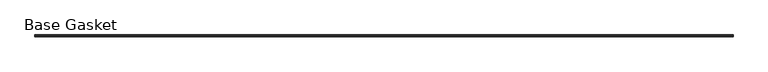
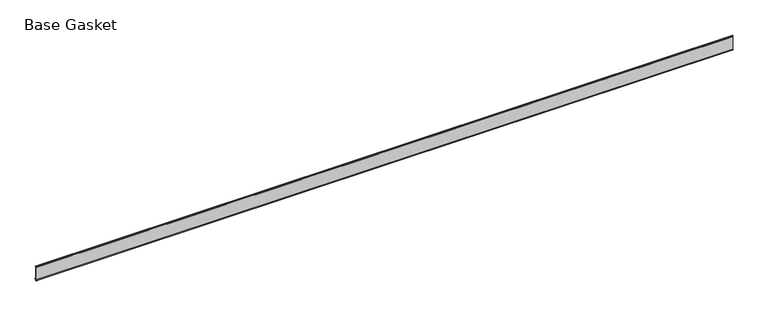
"""IFC4 building model written with IfcOpenShell, lengths in millimetres: furniture geometry, Base Gasket."""

from ifc_helpers import new_model, si_unit, frame, origin, place, context, project, spatial, polyline, outline, extrude, source, transform, mapped, element, save


def base_gasket_7c0cde66(model_context):
    return source(origin(), model_context, "Body", "SweptSolid", [
        extrude(outline(polyline([(-3.7283812, 98.4568417), (-1.1891543, 104.587663), (-0.6755308, 105.2002997), (-0.6755308, 104.4162708), (-2.2043812, 98.4568417), (-2.2043812, 96.8693477), (-1.4106313, 96.8693477), (-1.4106313, 71.4693447), (-2.2043812, 71.4693447), (-2.2043812, 7.9398773), (6.2405171, 7.9398773), (6.2405171, 6.3818476), (-2.1334222, 6.3818476), (-2.2043812, 4.3498477), (-6.8281054, 0.3520979), (-7.8482342, 0.0), (-7.4222115, 0.6560174), (-3.7283812, 4.3498477), (-3.7283812, 98.4568417)])), frame((-1527.8982117, 0.0, 0.0), z_axis=(1.0, 0.0, 0.0), x_axis=(0.0, 1.0, 0.0)), (0.0, 0.0, 1.0), 4975.7578683),
    ])


if __name__ == "__main__":
    model = new_model("IFC4")
    model_context = context("Model", 3, world=origin())
    ifc_project = project(units=[si_unit("LENGTHUNIT", "METRE", prefix="MILLI")], contexts=[model_context])
    site = spatial("IfcSite", under=ifc_project)
    building = spatial("IfcBuilding", under=site)
    placement = place(None, origin())
    base_gasket_shape = base_gasket_7c0cde66(model_context)
    element("IfcFurniture", 1, ObjectType="Base Gasket", at=placement, inside=building, context=model_context, shape_type="MappedRepresentation", body=[
        mapped(base_gasket_shape, transform((0.0, 0.0, 0.0), x_axis=(1.0, 0.0, 0.0), y_axis=(0.0, 1.0, 0.0), z_axis=(0.0, 0.0, 1.0))),
    ])
    save(model, "model.ifc")
